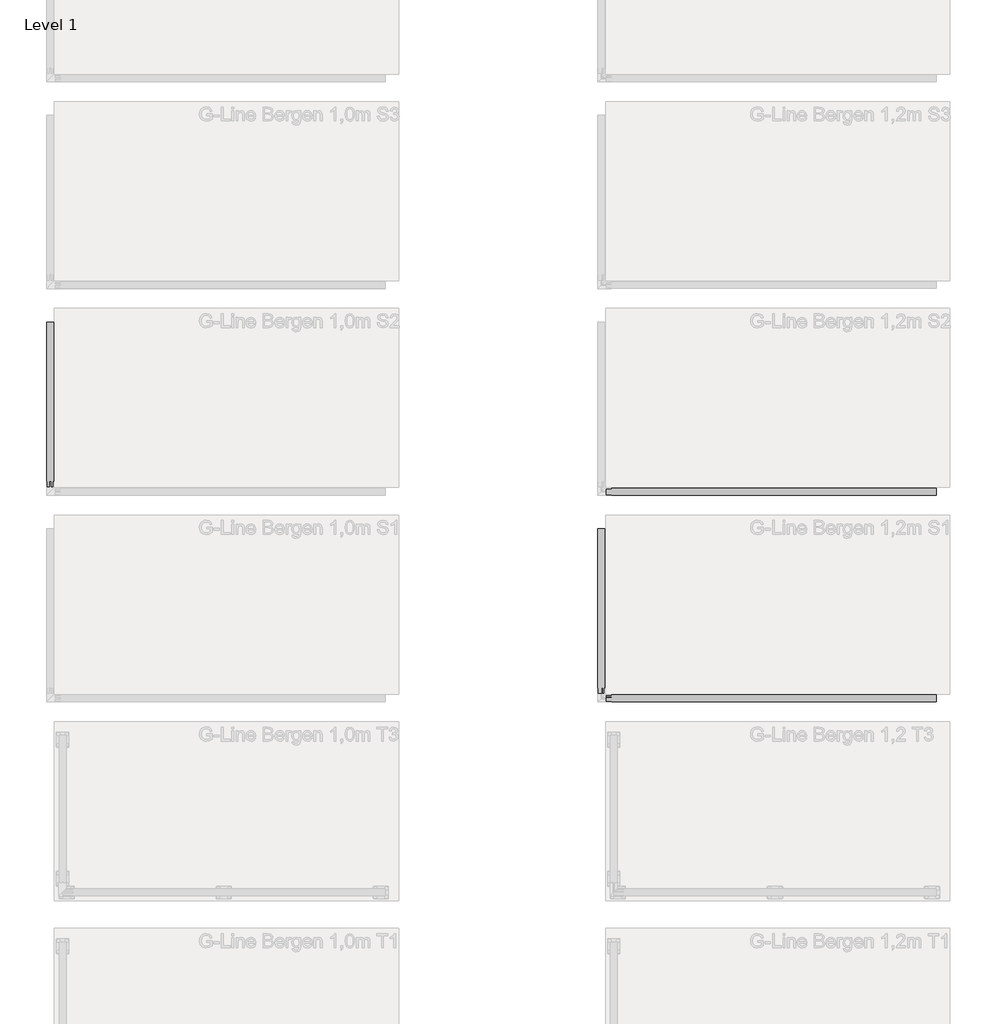
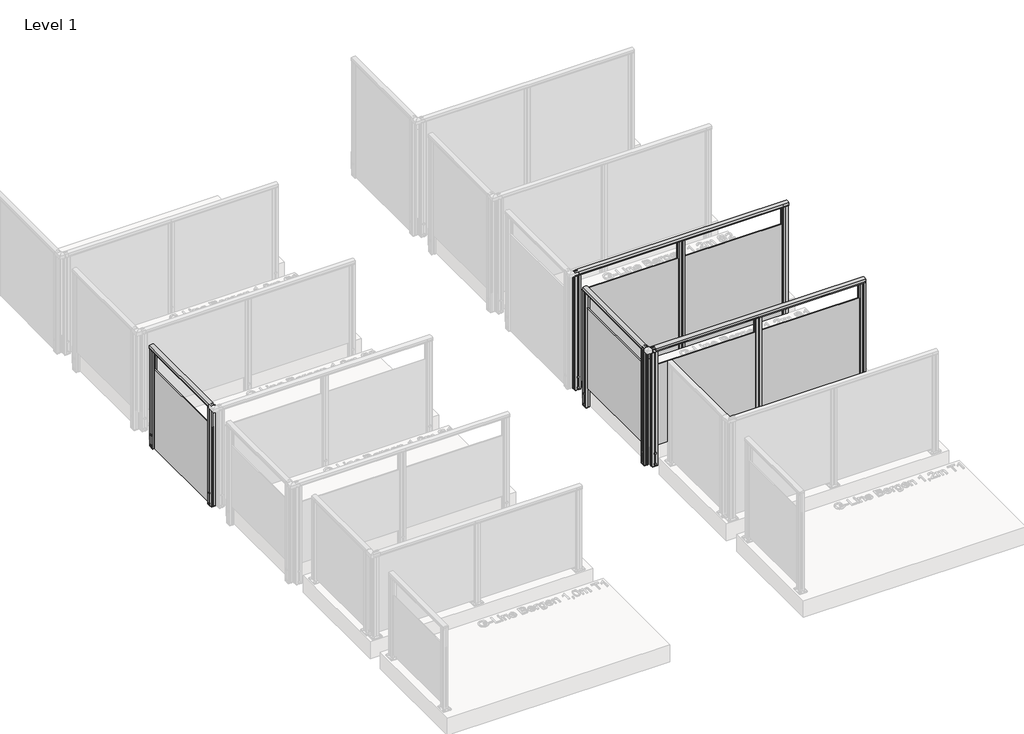
# One storey, part 6 of 14: 4 railings.
"""IFC4 building model written with IfcOpenShell, lengths in millimetres."""

import ifcopenshell
import ifcopenshell.guid

model = None  # the IFC model being written
_history = None  # IfcOwnerHistory: only IFC2X3 demands one
_inside = {}  # id of a spatial element -> (the spatial element, [elements in it])
_under = {}  # id of a project, library or spatial element -> (it, [spatial elements below it])
_declared = {}  # id of a project -> (the project, [libraries it declares])
_typed = {}  # id of a type object -> (the type object, [elements of that type])
_made_of = {}  # id of a material, layer set ... -> (it, [elements and type objects made of it])


def new_model(schema):
    """Start an empty IFC model of exactly this schema.

    Asked for "IFC4X3", IfcOpenShell would pick the latest addendum, in which some entities
    have other attributes; the version numbers below select the first issue.
    IFC2X3 requires an IfcOwnerHistory on every rooted entity: one is made here for all.
    """
    global model, _history
    if schema == "IFC4X3":
        model = ifcopenshell.file(schema_version=(4, 3, 0, 0))
    else:
        model = ifcopenshell.file(schema=schema)
    _inside.clear()
    _under.clear()
    _declared.clear()
    _typed.clear()
    _made_of.clear()
    _history = None
    if model.schema == "IFC2X3":
        org = make("IfcOrganization", Name="unknown")
        user = make(
            "IfcPersonAndOrganization",
            ThePerson=make("IfcPerson", FamilyName="unknown"),
            TheOrganization=org,
        )
        app = make(
            "IfcApplication",
            ApplicationDeveloper=org,
            Version="unknown",
            ApplicationFullName="unknown",
            ApplicationIdentifier="unknown",
        )
        _history = make(
            "IfcOwnerHistory",
            OwningUser=user,
            OwningApplication=app,
            ChangeAction="ADDED",
            CreationDate=0,
        )
    return model


def make(cls, **values):
    """One entity of the class cls with the attributes given. An attribute that is None is left unset."""
    return model.create_entity(
        cls, **{name: value for name, value in values.items() if value is not None}
    )


def rooted(cls, **values):
    """An entity with a GlobalId (a new one), such as an element, a storey or a relation."""
    return make(cls, GlobalId=ifcopenshell.guid.new(), OwnerHistory=_history, **values)


def si_unit(unit_type, name, prefix=None):
    """IfcSIUnit, for example si_unit("LENGTHUNIT", "METRE", prefix="MILLI")."""
    return make("IfcSIUnit", UnitType=unit_type, Prefix=prefix, Name=name)


def assignment(units):
    """IfcUnitAssignment: the units of a project."""
    return None if units is None else make("IfcUnitAssignment", Units=units)


def point(xyz):
    """IfcCartesianPoint."""
    return None if xyz is None else make("IfcCartesianPoint", Coordinates=xyz)


def direction(xyz):
    """IfcDirection."""
    return None if xyz is None else make("IfcDirection", DirectionRatios=xyz)


def frame(location, z_axis=None, x_axis=None):
    """IfcAxis2Placement3D, a coordinate frame: its origin and axes. An axis left out is left unset."""
    return make(
        "IfcAxis2Placement3D",
        Location=point(location),
        Axis=direction(z_axis),
        RefDirection=direction(x_axis),
    )


def frame_2d(location, x_axis=None):
    """IfcAxis2Placement2D, a coordinate frame in the plane: its origin and x axis."""
    return make(
        "IfcAxis2Placement2D", Location=point(location), RefDirection=direction(x_axis)
    )


def origin():
    """The frame at (0, 0, 0) with its axes left unset."""
    return frame((0.0, 0.0, 0.0))


def place(relative_to, where):
    """IfcLocalPlacement: puts the frame where relative to a parent placement (None: the world)."""
    return make(
        "IfcLocalPlacement", PlacementRelTo=relative_to, RelativePlacement=where
    )


def context(
    kind, dimensions, precision=None, world=None, true_north=None, identifier=None
):
    """IfcGeometricRepresentationContext, for example the 3D "Model" context."""
    return make(
        "IfcGeometricRepresentationContext",
        ContextIdentifier=identifier,
        ContextType=kind,
        CoordinateSpaceDimension=dimensions,
        Precision=precision,
        WorldCoordinateSystem=world,
        TrueNorth=true_north,
    )


def project(units=None, contexts=None):
    """IfcProject with its units and contexts."""
    return rooted(
        "IfcProject",
        Name="project",
        RepresentationContexts=contexts,
        UnitsInContext=assignment(units),
    )


def spatial(cls, under=None, at=None, **own):
    """A site, building, storey or space (cls), placed at a placement, below another one or the project."""
    s = rooted(cls, ObjectPlacement=at, **own)
    if under is not None:
        _under.setdefault(under.id(), (under, []))[1].append(s)
    return s


def polyline(points):
    """IfcPolyline through the points."""
    return make("IfcPolyline", Points=[point(p) for p in points])


def circle_curve(where, radius):
    """IfcCircle in the frame where."""
    return make("IfcCircle", Position=where, Radius=radius)


def trimmed(basis, trim1, trim2, sense, master):
    """IfcTrimmedCurve: the piece of a basis curve between two trims."""
    return make(
        "IfcTrimmedCurve",
        BasisCurve=basis,
        Trim1=trim1,
        Trim2=trim2,
        SenseAgreement=sense,
        MasterRepresentation=master,
    )


def segment(curve, same_sense, transition):
    """IfcCompositeCurveSegment."""
    return make(
        "IfcCompositeCurveSegment",
        Transition=transition,
        SameSense=same_sense,
        ParentCurve=curve,
    )


def composite_curve(segments, self_intersect=None):
    """IfcCompositeCurve: segments joined end to end."""
    return make("IfcCompositeCurve", Segments=segments, SelfIntersect=self_intersect)


def outline(outer, holes=None, kind="AREA"):
    """IfcArbitraryClosedProfileDef: a profile drawn as a closed curve; with holes, ...WithVoids."""
    if holes is None:
        return make("IfcArbitraryClosedProfileDef", ProfileType=kind, OuterCurve=outer)
    return make(
        "IfcArbitraryProfileDefWithVoids",
        ProfileType=kind,
        OuterCurve=outer,
        InnerCurves=holes,
    )


def extrude(swept, where, along, depth):
    """IfcExtrudedAreaSolid: the profile swept, set in the frame where, extruded along a direction by depth."""
    return make(
        "IfcExtrudedAreaSolid",
        SweptArea=swept,
        Position=where,
        ExtrudedDirection=direction(along),
        Depth=depth,
    )


def shape(context_of_items, identifier, shape_type, items):
    """IfcShapeRepresentation: the items that make up one representation, for example the "Body"."""
    return make(
        "IfcShapeRepresentation",
        ContextOfItems=context_of_items,
        RepresentationIdentifier=identifier,
        RepresentationType=shape_type,
        Items=items,
    )


def made_of(thing, what):
    """Note that an element or type object is made of a material, layer set ...; save() writes the relation."""
    if what is not None:
        _made_of.setdefault(what.id(), (what, []))[1].append(thing)
    return thing


def element(
    cls,
    number,
    at=None,
    inside=None,
    cuts=None,
    type_object=None,
    material=None,
    context=None,
    identifier="Body",
    shape_type=None,
    held_by="IfcProductDefinitionShape",
    body=None,
    shapes=None,
    **own,
):
    """One element of the class cls, such as IfcWall. Its Tag is "e" and its number.

    at: its placement. inside: the storey or other place that contains it. cuts: it is an
    opening in that element (IfcRelVoidsElement). A single representation is given by context,
    identifier, shape_type and body (its items); several are given by shapes. held_by: the class
    of the entity that holds the representations. save() writes the other relations.
    """
    e = rooted(cls, Tag="e%d" % number, ObjectPlacement=at, **own)
    if body is not None:
        shapes = [shape(context, identifier, shape_type, body)]
    if shapes is not None:
        e.Representation = make(held_by, Representations=shapes)
    if inside is not None:
        _inside.setdefault(inside.id(), (inside, []))[1].append(e)
    if cuts is not None:
        rooted(
            "IfcRelVoidsElement", RelatingBuildingElement=cuts, RelatedOpeningElement=e
        )
    if type_object is not None:
        _typed.setdefault(type_object.id(), (type_object, []))[1].append(e)
    return made_of(e, material)


def aggregate(whole, parts):
    """IfcRelAggregates: a whole, such as a stair, and the parts it consists of."""
    return rooted("IfcRelAggregates", RelatingObject=whole, RelatedObjects=parts)


def save(model, path):
    """Write the relations noted so far, then the file.

    IfcRelAggregates (storeys below a building ...), IfcRelContainedInSpatialStructure (elements
    in a storey), IfcRelDefinesByType, IfcRelAssociatesMaterial and IfcRelDeclares: one each for
    every whole, place, type object, material and project.
    """
    for whole, parts in _under.values():
        aggregate(whole, parts)
    for where, things in _inside.values():
        rooted(
            "IfcRelContainedInSpatialStructure",
            RelatedElements=things,
            RelatingStructure=where,
        )
    for kind, things in _typed.values():
        rooted("IfcRelDefinesByType", RelatedObjects=things, RelatingType=kind)
    for what, things in _made_of.values():
        rooted("IfcRelAssociatesMaterial", RelatedObjects=things, RelatingMaterial=what)
    for by, libraries in _declared.values():
        rooted("IfcRelDeclares", RelatingContext=by, RelatedDefinitions=libraries)
    model.write(path)


model = new_model("IFC4")

# Units and contexts
model_context = context("Model", 3, world=origin())
ifc_project = project(units=[si_unit("LENGTHUNIT", "METRE", prefix="MILLI")], contexts=[model_context])

# Site, building, storey
site = spatial("IfcSite", under=ifc_project)
building = spatial("IfcBuilding", under=site)
storey = spatial("IfcBuildingStorey", under=building, Name="Level 1", Elevation=0.0)

# Railings
placement = place(None, origin())
element("IfcRailing", 1, at=placement, inside=storey, context=model_context, shape_type="SweptSolid", body=[
    extrude(outline(composite_curve([segment(trimmed(circle_curve(frame_2d((942.6785502, -1888.3699367)), 57.3235687), [point((994.1390059, -1863.1149764))], [point((994.1342258, -1913.6346347))], False, "CARTESIAN"), True, "CONTINUOUS"), segment(polyline([(994.1342258, -1913.6346347), (967.0235023, -1913.6346347), (966.4415706, -1913.052703), (965.8194895, -1913.674784), (957.2498847, -1913.674784), (957.2498847, -1911.8698311), (980.4998829, -1911.8698311), (980.4998829, -1864.874785), (957.2498847, -1864.874785), (957.2498847, -1863.1149764), (965.9694895, -1863.1149764), (966.5842725, -1863.7297594), (967.1990555, -1863.1149764), (994.1390059, -1863.1149764)]), True, "CONTINUOUS")], self_intersect=False)), frame((0.0, -14.2844542, 0.0), z_axis=(0.0, 1.0, 0.0), x_axis=(0.0, 0.0, 1.0)), (0.0, 0.0, 1.0), 1195.0),
    extrude(outline(polyline([(-1888.5501775, 1180.7155458), (-1886.6864946, 1180.7155458), (-1886.6864946, -14.2844542), (-1888.5501775, -14.2844542), (-1888.5501775, 1180.7155458)])), frame((0.0, 0.0, -200.0), z_axis=(0.0, 0.0, 1.0), x_axis=(1.0, 0.0, 0.0)), (0.0, 0.0, 1.0), 1.1703418),
    extrude(outline(polyline([(-1892.0345604, 1180.7155458), (-1883.2745604, 1180.7155458), (-1883.2745604, -14.2844542), (-1892.0345604, -14.2844542), (-1892.0345604, 1180.7155458)])), frame((0.0, 0.0, -200.0), z_axis=(0.0, 0.0, 1.0), x_axis=(1.0, 0.0, 0.0)), (0.0, 0.0, 1.0), 945.0),
    extrude(outline(polyline([(-1883.3086985, -14.2828611), (-1883.3061212, 3.2171387), (-1892.0661212, 3.2184288), (-1892.0686984, -14.281571), (-1910.1235058, -14.2789121), (-1910.1192177, 14.8380749), (-1909.2407956, 15.7162383), (-1910.159128, 16.7541062), (-1910.154862, 45.7210931), (-1892.0598622, 45.7184283), (-1892.0624394, 28.2184285), (-1883.3024395, 28.2171384), (-1883.2998623, 45.7171382), (-1865.1949112, 45.7144719), (-1865.1991844, 16.6979964), (-1866.187574, 15.7098979), (-1865.1594327, 14.6814537), (-1865.1636986, -14.2855333), (-1883.3086985, -14.2828611)])), frame((0.0, 0.0, -202.0233958), z_axis=(0.0, 0.0, 1.0), x_axis=(1.0, 0.0, 0.0)), (0.0, 0.0, 1.0), 2.0),
    extrude(outline(composite_curve([segment(trimmed(circle_curve(frame_2d((0.0, 12.0)), 12.0), [point((0.0, 23.9999999))], [point((0.0, 0.0))], False, "CARTESIAN"), True, "CONTINUOUS"), segment(trimmed(circle_curve(frame_2d((0.0, 12.0)), 12.0), [point((0.0, 0.0))], [point((0.0, 23.9999999))], False, "CARTESIAN"), True, "CONTINUOUS")], self_intersect=False)), frame((-1910.1140255, 27.7245834, -175.0), z_axis=(-0.9999999188284006, 0.0004029183446997833, 0.0), x_axis=(0.0, 0.0, -1.0)), (0.0, 0.0, 1.0), 3.0757477),
    extrude(outline(composite_curve([segment(trimmed(circle_curve(frame_2d((0.0, 12.0)), 12.0), [point((0.0, 23.9999999))], [point((0.0, 0.0))], False, "CARTESIAN"), True, "CONTINUOUS"), segment(trimmed(circle_curve(frame_2d((0.0, 12.0)), 12.0), [point((0.0, 0.0))], [point((0.0, 23.9999999))], False, "CARTESIAN"), True, "CONTINUOUS")], self_intersect=False)), frame((-1910.1140255, 27.7245834, -50.0), z_axis=(-0.9999999188284006, 0.0004029183446997833, 0.0), x_axis=(0.0, 0.0, -1.0)), (0.0, 0.0, 1.0), 3.0757477),
    extrude(outline(polyline([(-1883.3086985, -14.2828611), (-1883.3061212, 3.2171387), (-1892.0661212, 3.2184288), (-1892.0686984, -14.281571), (-1910.1235058, -14.2789121), (-1910.1192177, 14.8380749), (-1909.2407956, 15.7162383), (-1910.159128, 16.7541062), (-1910.154862, 45.7210931), (-1892.0598622, 45.7184283), (-1892.0624394, 28.2184285), (-1883.3024395, 28.2171384), (-1883.2998623, 45.7171382), (-1865.1949112, 45.7144719), (-1865.1991844, 16.6979964), (-1866.187574, 15.7098979), (-1865.1594327, 14.6814537), (-1865.1636986, -14.2855333), (-1883.3086985, -14.2828611)]), holes=[polyline([(-1908.1605761, 24.5147608), (-1908.1605761, 6.9207991), (-1867.1579846, 6.9207991), (-1867.1579846, 24.5147608), (-1908.1605761, 24.5147608)]), polyline([(-1881.3026899, 43.7147606), (-1881.3026899, 26.5168439), (-1867.155157, 26.5168439), (-1867.155157, 43.7147606), (-1881.3026899, 43.7147606)]), polyline([(-1908.1605761, 43.7187229), (-1908.1605761, 26.5207992), (-1894.0601567, 26.5207992), (-1894.0601567, 43.7187229), (-1908.1605761, 43.7187229)]), polyline([(-1881.3084039, 4.9147611), (-1881.3084039, -12.2831556), (-1867.1608711, -12.2831556), (-1867.1608711, 4.9147611), (-1881.3084039, 4.9147611)]), polyline([(-1908.2134036, 4.9187233), (-1908.2134036, -12.2791934), (-1894.0658708, -12.2791934), (-1894.0658708, 4.9187233), (-1908.2134036, 4.9187233)])]), frame((0.0, 0.0, -200.0), z_axis=(0.0, 0.0, 1.0), x_axis=(1.0, 0.0, 0.0)), (0.0, 0.0, 1.0), 1181.0),
    extrude(outline(polyline([(-1883.3086985, 1120.7171389), (-1883.3061212, 1138.2171387), (-1892.0661212, 1138.2184288), (-1892.0686984, 1120.718429), (-1910.1235058, 1120.7210879), (-1910.1192177, 1149.8380749), (-1909.2407956, 1150.7162383), (-1910.159128, 1151.7541062), (-1910.154862, 1180.7210931), (-1892.0598622, 1180.7184283), (-1892.0624394, 1163.2184285), (-1883.3024395, 1163.2171384), (-1883.2998623, 1180.7171382), (-1865.1949112, 1180.7144719), (-1865.1991844, 1151.6979964), (-1866.187574, 1150.7098979), (-1865.1594327, 1149.6814537), (-1865.1636986, 1120.7144667), (-1883.3086985, 1120.7171389)])), frame((0.0, 0.0, -202.0233958), z_axis=(0.0, 0.0, 1.0), x_axis=(1.0, 0.0, 0.0)), (0.0, 0.0, 1.0), 2.0),
    extrude(outline(composite_curve([segment(trimmed(circle_curve(frame_2d((0.0, 12.0)), 12.0), [point((0.0, 23.9999999))], [point((0.0, 0.0))], False, "CARTESIAN"), True, "CONTINUOUS"), segment(trimmed(circle_curve(frame_2d((0.0, 12.0)), 12.0), [point((0.0, 0.0))], [point((0.0, 23.9999999))], False, "CARTESIAN"), True, "CONTINUOUS")], self_intersect=False)), frame((-1910.1140255, 1162.7245834, -175.0), z_axis=(-0.9999999188284006, 0.0004029183446997833, 0.0), x_axis=(0.0, 0.0, -1.0)), (0.0, 0.0, 1.0), 3.0757477),
    extrude(outline(composite_curve([segment(trimmed(circle_curve(frame_2d((0.0, 12.0)), 12.0), [point((0.0, 23.9999999))], [point((0.0, 0.0))], False, "CARTESIAN"), True, "CONTINUOUS"), segment(trimmed(circle_curve(frame_2d((0.0, 12.0)), 12.0), [point((0.0, 0.0))], [point((0.0, 23.9999999))], False, "CARTESIAN"), True, "CONTINUOUS")], self_intersect=False)), frame((-1910.1140255, 1162.7245834, -50.0), z_axis=(-0.9999999188284006, 0.0004029183446997833, 0.0), x_axis=(0.0, 0.0, -1.0)), (0.0, 0.0, 1.0), 3.0757477),
    extrude(outline(polyline([(-1883.3086985, 1120.7171389), (-1883.3061212, 1138.2171387), (-1892.0661212, 1138.2184288), (-1892.0686984, 1120.718429), (-1910.1235058, 1120.7210879), (-1910.1192177, 1149.8380749), (-1909.2407956, 1150.7162383), (-1910.159128, 1151.7541062), (-1910.154862, 1180.7210931), (-1892.0598622, 1180.7184283), (-1892.0624394, 1163.2184285), (-1883.3024395, 1163.2171384), (-1883.2998623, 1180.7171382), (-1865.1949112, 1180.7144719), (-1865.1991844, 1151.6979964), (-1866.187574, 1150.7098979), (-1865.1594327, 1149.6814537), (-1865.1636986, 1120.7144667), (-1883.3086985, 1120.7171389)]), holes=[polyline([(-1908.1605761, 1159.5147608), (-1908.1605761, 1141.9207991), (-1867.1579846, 1141.9207991), (-1867.1579846, 1159.5147608), (-1908.1605761, 1159.5147608)]), polyline([(-1881.3026899, 1178.7147606), (-1881.3026899, 1161.5168439), (-1867.155157, 1161.5168439), (-1867.155157, 1178.7147606), (-1881.3026899, 1178.7147606)]), polyline([(-1908.1605761, 1178.7187229), (-1908.1605761, 1161.5207992), (-1894.0601567, 1161.5207992), (-1894.0601567, 1178.7187229), (-1908.1605761, 1178.7187229)]), polyline([(-1881.3084039, 1139.9147611), (-1881.3084039, 1122.7168444), (-1867.1608711, 1122.7168444), (-1867.1608711, 1139.9147611), (-1881.3084039, 1139.9147611)]), polyline([(-1908.2134036, 1139.9187233), (-1908.2134036, 1122.7208066), (-1894.0658708, 1122.7208066), (-1894.0658708, 1139.9187233), (-1908.2134036, 1139.9187233)])]), frame((0.0, 0.0, -200.0), z_axis=(0.0, 0.0, 1.0), x_axis=(1.0, 0.0, 0.0)), (0.0, 0.0, 1.0), 1181.0),
])
element("IfcRailing", 2, at=placement, inside=storey, context=model_context, shape_type="SweptSolid", body=[
    extrude(outline(composite_curve([segment(trimmed(circle_curve(frame_2d((1142.6785502, 2111.6300633)), 57.3235687), [point((1194.1390059, 2136.8850236))], [point((1194.1342258, 2086.3653653))], False, "CARTESIAN"), True, "CONTINUOUS"), segment(polyline([(1194.1342258, 2086.3653653), (1167.0235023, 2086.3653653), (1166.4415706, 2086.947297), (1165.8194895, 2086.325216), (1157.2498847, 2086.325216), (1157.2498847, 2088.1301689), (1180.4998829, 2088.1301689), (1180.4998829, 2135.125215), (1157.2498847, 2135.125215), (1157.2498847, 2136.8850236), (1165.9694895, 2136.8850236), (1166.5842725, 2136.2702406), (1167.1990555, 2136.8850236), (1194.1390059, 2136.8850236)]), True, "CONTINUOUS")], self_intersect=False)), frame((0.0, -1514.2844542, 0.0), z_axis=(0.0, 1.0, 0.0), x_axis=(0.0, 0.0, 1.0)), (0.0, 0.0, 1.0), 1195.0),
    extrude(outline(polyline([(2107.9654396, -319.2844542), (2116.7254396, -319.2844542), (2116.7254396, -1514.2844542), (2107.9654396, -1514.2844542), (2107.9654396, -319.2844542)])), frame((0.0, 0.0, 28.0), z_axis=(0.0, 0.0, 1.0), x_axis=(1.0, 0.0, 0.0)), (0.0, 0.0, 1.0), 952.0),
    extrude(outline(polyline([(2116.6913015, -1514.2828611), (2116.6938788, -1496.7828613), (2107.9338788, -1496.7815712), (2107.9313016, -1514.281571), (2089.8764942, -1514.2789121), (2089.8807823, -1485.1619251), (2090.7592044, -1484.2837617), (2089.840872, -1483.2458938), (2089.845138, -1454.2789069), (2107.9401378, -1454.2815717), (2107.9375606, -1471.7815715), (2116.6975605, -1471.7828616), (2116.7001377, -1454.2828618), (2134.8050888, -1454.2855281), (2134.8008156, -1483.3020036), (2133.812426, -1484.2901021), (2134.8405673, -1485.3185463), (2134.8363014, -1514.2855333), (2116.6913015, -1514.2828611)]), holes=[polyline([(2091.8394239, -1475.4852392), (2091.8394239, -1493.0792009), (2132.8420154, -1493.0792009), (2132.8420154, -1475.4852392), (2091.8394239, -1475.4852392)]), polyline([(2118.6973101, -1456.2852394), (2118.6973101, -1473.4831561), (2132.844843, -1473.4831561), (2132.844843, -1456.2852394), (2118.6973101, -1456.2852394)]), polyline([(2091.8394239, -1456.2812771), (2091.8394239, -1473.4792008), (2105.9398433, -1473.4792008), (2105.9398433, -1456.2812771), (2091.8394239, -1456.2812771)]), polyline([(2118.6915961, -1495.0852389), (2118.6915961, -1512.2831556), (2132.8391289, -1512.2831556), (2132.8391289, -1495.0852389), (2118.6915961, -1495.0852389)]), polyline([(2091.7865964, -1495.0812767), (2091.7865964, -1512.2791934), (2105.9341292, -1512.2791934), (2105.9341292, -1495.0812767), (2091.7865964, -1495.0812767)])]), frame((0.0, 0.0, -200.0), z_axis=(0.0, 0.0, 1.0), x_axis=(1.0, 0.0, 0.0)), (0.0, 0.0, 1.0), 1381.0),
    extrude(outline(polyline([(2116.6913015, -1514.2828611), (2116.6938788, -1496.7828613), (2107.9338788, -1496.7815712), (2107.9313016, -1514.281571), (2089.8764942, -1514.2789121), (2089.8807823, -1485.1619251), (2090.7592044, -1484.2837617), (2089.840872, -1483.2458938), (2089.845138, -1454.2789069), (2107.9401378, -1454.2815717), (2107.9375606, -1471.7815715), (2116.6975605, -1471.7828616), (2116.7001377, -1454.2828618), (2134.8050888, -1454.2855281), (2134.8008156, -1483.3020036), (2133.812426, -1484.2901021), (2134.8405673, -1485.3185463), (2134.8363014, -1514.2855333), (2116.6913015, -1514.2828611)])), frame((0.0, 0.0, -202.0233958), z_axis=(0.0, 0.0, 1.0), x_axis=(1.0, 0.0, 0.0)), (0.0, 0.0, 1.0), 2.0),
    extrude(outline(composite_curve([segment(trimmed(circle_curve(frame_2d((0.0, 12.0)), 12.0), [point((0.0, 23.9999999))], [point((0.0, 0.0))], False, "CARTESIAN"), True, "CONTINUOUS"), segment(trimmed(circle_curve(frame_2d((0.0, 12.0)), 12.0), [point((0.0, 0.0))], [point((0.0, 23.9999999))], False, "CARTESIAN"), True, "CONTINUOUS")], self_intersect=False)), frame((2089.8859745, -1472.2754166, -175.0), z_axis=(-0.9999999188284006, 0.0004029183446997833, 0.0), x_axis=(0.0, 0.0, -1.0)), (0.0, 0.0, 1.0), 3.0757477),
    extrude(outline(composite_curve([segment(trimmed(circle_curve(frame_2d((0.0, 12.0)), 12.0), [point((0.0, 23.9999999))], [point((0.0, 0.0))], False, "CARTESIAN"), True, "CONTINUOUS"), segment(trimmed(circle_curve(frame_2d((0.0, 12.0)), 12.0), [point((0.0, 0.0))], [point((0.0, 23.9999999))], False, "CARTESIAN"), True, "CONTINUOUS")], self_intersect=False)), frame((2089.8859745, -1472.2754166, -50.0), z_axis=(-0.9999999188284006, 0.0004029183446997833, 0.0), x_axis=(0.0, 0.0, -1.0)), (0.0, 0.0, 1.0), 3.0757477),
    extrude(outline(polyline([(2116.6913015, -379.2828611), (2116.6938788, -361.7828613), (2107.9338788, -361.7815712), (2107.9313016, -379.281571), (2089.8764942, -379.2789121), (2089.8807823, -350.1619251), (2090.7592044, -349.2837617), (2089.840872, -348.2458938), (2089.845138, -319.2789069), (2107.9401378, -319.2815717), (2107.9375606, -336.7815715), (2116.6975605, -336.7828616), (2116.7001377, -319.2828618), (2134.8050888, -319.2855281), (2134.8008156, -348.3020036), (2133.812426, -349.2901021), (2134.8405673, -350.3185463), (2134.8363014, -379.2855333), (2116.6913015, -379.2828611)]), holes=[polyline([(2091.8394239, -340.4852392), (2091.8394239, -358.0792009), (2132.8420154, -358.0792009), (2132.8420154, -340.4852392), (2091.8394239, -340.4852392)]), polyline([(2118.6973101, -321.2852394), (2118.6973101, -338.4831561), (2132.844843, -338.4831561), (2132.844843, -321.2852394), (2118.6973101, -321.2852394)]), polyline([(2091.8394239, -321.2812771), (2091.8394239, -338.4792008), (2105.9398433, -338.4792008), (2105.9398433, -321.2812771), (2091.8394239, -321.2812771)]), polyline([(2118.6915961, -360.0852389), (2118.6915961, -377.2831556), (2132.8391289, -377.2831556), (2132.8391289, -360.0852389), (2118.6915961, -360.0852389)]), polyline([(2091.7865964, -360.0812767), (2091.7865964, -377.2791934), (2105.9341292, -377.2791934), (2105.9341292, -360.0812767), (2091.7865964, -360.0812767)])]), frame((0.0, 0.0, -200.0), z_axis=(0.0, 0.0, 1.0), x_axis=(1.0, 0.0, 0.0)), (0.0, 0.0, 1.0), 1381.0),
    extrude(outline(polyline([(2116.6913015, -379.2828611), (2116.6938788, -361.7828613), (2107.9338788, -361.7815712), (2107.9313016, -379.281571), (2089.8764942, -379.2789121), (2089.8807823, -350.1619251), (2090.7592044, -349.2837617), (2089.840872, -348.2458938), (2089.845138, -319.2789069), (2107.9401378, -319.2815717), (2107.9375606, -336.7815715), (2116.6975605, -336.7828616), (2116.7001377, -319.2828618), (2134.8050888, -319.2855281), (2134.8008156, -348.3020036), (2133.812426, -349.2901021), (2134.8405673, -350.3185463), (2134.8363014, -379.2855333), (2116.6913015, -379.2828611)])), frame((0.0, 0.0, -202.0233958), z_axis=(0.0, 0.0, 1.0), x_axis=(1.0, 0.0, 0.0)), (0.0, 0.0, 1.0), 2.0),
    extrude(outline(composite_curve([segment(trimmed(circle_curve(frame_2d((0.0, 12.0)), 12.0), [point((0.0, 23.9999999))], [point((0.0, 0.0))], False, "CARTESIAN"), True, "CONTINUOUS"), segment(trimmed(circle_curve(frame_2d((0.0, 12.0)), 12.0), [point((0.0, 0.0))], [point((0.0, 23.9999999))], False, "CARTESIAN"), True, "CONTINUOUS")], self_intersect=False)), frame((2089.8859745, -337.2754166, -175.0), z_axis=(-0.9999999188284006, 0.0004029183446997833, 0.0), x_axis=(0.0, 0.0, -1.0)), (0.0, 0.0, 1.0), 3.0757477),
    extrude(outline(composite_curve([segment(trimmed(circle_curve(frame_2d((0.0, 12.0)), 12.0), [point((0.0, 23.9999999))], [point((0.0, 0.0))], False, "CARTESIAN"), True, "CONTINUOUS"), segment(trimmed(circle_curve(frame_2d((0.0, 12.0)), 12.0), [point((0.0, 0.0))], [point((0.0, 23.9999999))], False, "CARTESIAN"), True, "CONTINUOUS")], self_intersect=False)), frame((2089.8859745, -337.2754166, -50.0), z_axis=(-0.9999999188284006, 0.0004029183446997833, 0.0), x_axis=(0.0, 0.0, -1.0)), (0.0, 0.0, 1.0), 3.0757477),
])
element("IfcRailing", 3, at=placement, inside=storey, context=model_context, shape_type="SweptSolid", body=[
    extrude(outline(composite_curve([segment(polyline([(-1524.7448702, 1194.1390059), (-1524.7448702, 1167.1990555), (-1525.3596532, 1166.5842725), (-1524.7448702, 1165.9694895), (-1524.7448702, 1157.2498847), (-1526.5046787, 1157.2498847), (-1526.5046787, 1180.4998829), (-1573.4997249, 1180.4998829), (-1573.4997249, 1157.2498847), (-1575.3046778, 1157.2498847), (-1575.3046778, 1165.8194895), (-1574.6825967, 1166.4415706), (-1575.2645284, 1167.0235023), (-1575.2645284, 1194.1342258)]), True, "CONTINUOUS"), segment(trimmed(circle_curve(frame_2d((-1549.9998305, 1142.6785502)), 57.3235687), [point((-1575.2645284, 1194.1342258))], [point((-1524.7448702, 1194.1390059))], False, "CARTESIAN"), True, "CONTINUOUS")], self_intersect=False)), frame((2147.3454396, 0.0, 0.0), z_axis=(1.0, 0.0, 0.0), x_axis=(0.0, 1.0, 0.0)), (0.0, 0.0, 1.0), 2395.0),
    extrude(outline(polyline([(2147.3454396, -1553.6644542), (2147.3454396, -1544.9044542), (4542.3454396, -1544.9044542), (4542.3454396, -1553.6644542), (2147.3454396, -1553.6644542)])), frame((0.0, 0.0, 28.0), z_axis=(0.0, 0.0, 1.0), x_axis=(1.0, 0.0, 0.0)), (0.0, 0.0, 1.0), 952.0),
    extrude(outline(polyline([(3374.8438465, -1544.9385922), (3357.3438467, -1544.936015), (3357.3425566, -1553.6960149), (3374.8425564, -1553.6985921), (3374.8398975, -1571.7533995), (3345.7229105, -1571.7491115), (3344.8447471, -1570.8706894), (3343.8068792, -1571.7890217), (3314.8398922, -1571.7847558), (3314.8425571, -1553.689756), (3332.3425569, -1553.6923332), (3332.343847, -1544.9323333), (3314.8438472, -1544.9297561), (3314.8465135, -1526.824805), (3343.862989, -1526.8290782), (3344.8510875, -1527.8174678), (3345.8795317, -1526.7893265), (3374.8465187, -1526.7935924), (3374.8438465, -1544.9385922)]), holes=[polyline([(3336.0462246, -1569.7904698), (3353.6401863, -1569.7904698), (3353.6401863, -1528.7878783), (3336.0462246, -1528.7878783), (3336.0462246, -1569.7904698)]), polyline([(3316.8462248, -1542.9325837), (3334.0441415, -1542.9325837), (3334.0441415, -1528.7850508), (3316.8462248, -1528.7850508), (3316.8462248, -1542.9325837)]), polyline([(3316.8422625, -1569.7904698), (3334.0401862, -1569.7904698), (3334.0401862, -1555.6900505), (3316.8422625, -1555.6900505), (3316.8422625, -1569.7904698)]), polyline([(3355.6462243, -1542.9382977), (3372.844141, -1542.9382977), (3372.844141, -1528.7907648), (3355.6462243, -1528.7907648), (3355.6462243, -1542.9382977)]), polyline([(3355.6422621, -1569.8432974), (3372.8401788, -1569.8432974), (3372.8401788, -1555.6957645), (3355.6422621, -1555.6957645), (3355.6422621, -1569.8432974)])]), frame((0.0, 0.0, -200.0), z_axis=(0.0, 0.0, 1.0), x_axis=(1.0, 0.0, 0.0)), (0.0, 0.0, 1.0), 1381.0),
    extrude(outline(polyline([(3374.8438465, -1544.9385922), (3357.3438467, -1544.936015), (3357.3425566, -1553.6960149), (3374.8425564, -1553.6985921), (3374.8398975, -1571.7533995), (3345.7229105, -1571.7491115), (3344.8447471, -1570.8706894), (3343.8068792, -1571.7890217), (3314.8398922, -1571.7847558), (3314.8425571, -1553.689756), (3332.3425569, -1553.6923332), (3332.343847, -1544.9323333), (3314.8438472, -1544.9297561), (3314.8465135, -1526.824805), (3343.862989, -1526.8290782), (3344.8510875, -1527.8174678), (3345.8795317, -1526.7893265), (3374.8465187, -1526.7935924), (3374.8438465, -1544.9385922)])), frame((0.0, 0.0, -202.0233958), z_axis=(0.0, 0.0, 1.0), x_axis=(1.0, 0.0, 0.0)), (0.0, 0.0, 1.0), 2.0),
    extrude(outline(composite_curve([segment(trimmed(circle_curve(frame_2d((0.0, 12.0)), 12.0), [point((0.0, 24.0))], [point((0.0, 0.0))], False, "CARTESIAN"), True, "CONTINUOUS"), segment(trimmed(circle_curve(frame_2d((0.0, 12.0)), 12.0), [point((0.0, 0.0))], [point((0.0, 24.0))], False, "CARTESIAN"), True, "CONTINUOUS")], self_intersect=False)), frame((3332.8351627, -1574.8196667, -175.0), z_axis=(0.00040291834662179495, 0.9999999188283998, 0.0), x_axis=(0.0, 0.0, 1.0)), (0.0, 0.0, 1.0), 3.0757477),
    extrude(outline(composite_curve([segment(trimmed(circle_curve(frame_2d((0.0, 12.0)), 12.0), [point((0.0, 24.0))], [point((0.0, 0.0))], False, "CARTESIAN"), True, "CONTINUOUS"), segment(trimmed(circle_curve(frame_2d((0.0, 12.0)), 12.0), [point((0.0, 0.0))], [point((0.0, 24.0))], False, "CARTESIAN"), True, "CONTINUOUS")], self_intersect=False)), frame((3332.8351627, -1574.8196667, -50.0), z_axis=(0.00040291834662179495, 0.9999999188283998, 0.0), x_axis=(0.0, 0.0, 1.0)), (0.0, 0.0, 1.0), 3.0757477),
    extrude(outline(polyline([(4542.3438465, -1544.9385922), (4524.8438467, -1544.936015), (4524.8425566, -1553.6960149), (4542.3425564, -1553.6985921), (4542.3398975, -1571.7533995), (4513.2229105, -1571.7491115), (4512.3447471, -1570.8706894), (4511.3068792, -1571.7890217), (4482.3398922, -1571.7847558), (4482.3425571, -1553.689756), (4499.8425569, -1553.6923332), (4499.843847, -1544.9323333), (4482.3438472, -1544.9297561), (4482.3465135, -1526.824805), (4511.362989, -1526.8290782), (4512.3510875, -1527.8174678), (4513.3795317, -1526.7893265), (4542.3465187, -1526.7935924), (4542.3438465, -1544.9385922)]), holes=[polyline([(4503.5462246, -1569.7904698), (4521.1401863, -1569.7904698), (4521.1401863, -1528.7878783), (4503.5462246, -1528.7878783), (4503.5462246, -1569.7904698)]), polyline([(4484.3462248, -1542.9325837), (4501.5441415, -1542.9325837), (4501.5441415, -1528.7850508), (4484.3462248, -1528.7850508), (4484.3462248, -1542.9325837)]), polyline([(4484.3422625, -1569.7904698), (4501.5401862, -1569.7904698), (4501.5401862, -1555.6900505), (4484.3422625, -1555.6900505), (4484.3422625, -1569.7904698)]), polyline([(4523.1462243, -1542.9382977), (4540.344141, -1542.9382977), (4540.344141, -1528.7907648), (4523.1462243, -1528.7907648), (4523.1462243, -1542.9382977)]), polyline([(4523.1422621, -1569.8432974), (4540.3401788, -1569.8432974), (4540.3401788, -1555.6957645), (4523.1422621, -1555.6957645), (4523.1422621, -1569.8432974)])]), frame((0.0, 0.0, -200.0), z_axis=(0.0, 0.0, 1.0), x_axis=(1.0, 0.0, 0.0)), (0.0, 0.0, 1.0), 1381.0),
    extrude(outline(polyline([(4542.3438465, -1544.9385922), (4524.8438467, -1544.936015), (4524.8425566, -1553.6960149), (4542.3425564, -1553.6985921), (4542.3398975, -1571.7533995), (4513.2229105, -1571.7491115), (4512.3447471, -1570.8706894), (4511.3068792, -1571.7890217), (4482.3398922, -1571.7847558), (4482.3425571, -1553.689756), (4499.8425569, -1553.6923332), (4499.843847, -1544.9323333), (4482.3438472, -1544.9297561), (4482.3465135, -1526.824805), (4511.362989, -1526.8290782), (4512.3510875, -1527.8174678), (4513.3795317, -1526.7893265), (4542.3465187, -1526.7935924), (4542.3438465, -1544.9385922)])), frame((0.0, 0.0, -202.0233958), z_axis=(0.0, 0.0, 1.0), x_axis=(1.0, 0.0, 0.0)), (0.0, 0.0, 1.0), 2.0),
    extrude(outline(composite_curve([segment(trimmed(circle_curve(frame_2d((0.0, 12.0)), 12.0), [point((0.0, 24.0))], [point((0.0, 0.0))], False, "CARTESIAN"), True, "CONTINUOUS"), segment(trimmed(circle_curve(frame_2d((0.0, 12.0)), 12.0), [point((0.0, 0.0))], [point((0.0, 24.0))], False, "CARTESIAN"), True, "CONTINUOUS")], self_intersect=False)), frame((4500.3351627, -1574.8196667, -175.0), z_axis=(0.00040291834662179495, 0.9999999188283998, 0.0), x_axis=(0.0, 0.0, 1.0)), (0.0, 0.0, 1.0), 3.0757477),
    extrude(outline(composite_curve([segment(trimmed(circle_curve(frame_2d((0.0, 12.0)), 12.0), [point((0.0, 24.0))], [point((0.0, 0.0))], False, "CARTESIAN"), True, "CONTINUOUS"), segment(trimmed(circle_curve(frame_2d((0.0, 12.0)), 12.0), [point((0.0, 0.0))], [point((0.0, 24.0))], False, "CARTESIAN"), True, "CONTINUOUS")], self_intersect=False)), frame((4500.3351627, -1574.8196667, -50.0), z_axis=(0.00040291834662179495, 0.9999999188283998, 0.0), x_axis=(0.0, 0.0, 1.0)), (0.0, 0.0, 1.0), 3.0757477),
    extrude(outline(polyline([(2207.3438465, -1544.9385922), (2189.8438467, -1544.936015), (2189.8425566, -1553.6960149), (2207.3425564, -1553.6985921), (2207.3398975, -1571.7533995), (2178.2229105, -1571.7491115), (2177.3447471, -1570.8706894), (2176.3068792, -1571.7890217), (2147.3398922, -1571.7847558), (2147.3425571, -1553.689756), (2164.8425569, -1553.6923332), (2164.843847, -1544.9323333), (2147.3438472, -1544.9297561), (2147.3465135, -1526.824805), (2176.362989, -1526.8290782), (2177.3510875, -1527.8174678), (2178.3795317, -1526.7893265), (2207.3465187, -1526.7935924), (2207.3438465, -1544.9385922)]), holes=[polyline([(2168.5462246, -1569.7904698), (2186.1401863, -1569.7904698), (2186.1401863, -1528.7878783), (2168.5462246, -1528.7878783), (2168.5462246, -1569.7904698)]), polyline([(2149.3462248, -1542.9325837), (2166.5441415, -1542.9325837), (2166.5441415, -1528.7850508), (2149.3462248, -1528.7850508), (2149.3462248, -1542.9325837)]), polyline([(2149.3422625, -1569.7904698), (2166.5401862, -1569.7904698), (2166.5401862, -1555.6900505), (2149.3422625, -1555.6900505), (2149.3422625, -1569.7904698)]), polyline([(2188.1462243, -1542.9382977), (2205.344141, -1542.9382977), (2205.344141, -1528.7907648), (2188.1462243, -1528.7907648), (2188.1462243, -1542.9382977)]), polyline([(2188.1422621, -1569.8432974), (2205.3401788, -1569.8432974), (2205.3401788, -1555.6957645), (2188.1422621, -1555.6957645), (2188.1422621, -1569.8432974)])]), frame((0.0, 0.0, -200.0), z_axis=(0.0, 0.0, 1.0), x_axis=(1.0, 0.0, 0.0)), (0.0, 0.0, 1.0), 1381.0),
    extrude(outline(polyline([(2207.3438465, -1544.9385922), (2189.8438467, -1544.936015), (2189.8425566, -1553.6960149), (2207.3425564, -1553.6985921), (2207.3398975, -1571.7533995), (2178.2229105, -1571.7491115), (2177.3447471, -1570.8706894), (2176.3068792, -1571.7890217), (2147.3398922, -1571.7847558), (2147.3425571, -1553.689756), (2164.8425569, -1553.6923332), (2164.843847, -1544.9323333), (2147.3438472, -1544.9297561), (2147.3465135, -1526.824805), (2176.362989, -1526.8290782), (2177.3510875, -1527.8174678), (2178.3795317, -1526.7893265), (2207.3465187, -1526.7935924), (2207.3438465, -1544.9385922)])), frame((0.0, 0.0, -202.0233958), z_axis=(0.0, 0.0, 1.0), x_axis=(1.0, 0.0, 0.0)), (0.0, 0.0, 1.0), 2.0),
    extrude(outline(composite_curve([segment(trimmed(circle_curve(frame_2d((0.0, 12.0)), 12.0), [point((0.0, 24.0))], [point((0.0, 0.0))], False, "CARTESIAN"), True, "CONTINUOUS"), segment(trimmed(circle_curve(frame_2d((0.0, 12.0)), 12.0), [point((0.0, 0.0))], [point((0.0, 24.0))], False, "CARTESIAN"), True, "CONTINUOUS")], self_intersect=False)), frame((2165.3351627, -1574.8196667, -175.0), z_axis=(0.00040291834662179495, 0.9999999188283998, 0.0), x_axis=(0.0, 0.0, 1.0)), (0.0, 0.0, 1.0), 3.0757477),
    extrude(outline(composite_curve([segment(trimmed(circle_curve(frame_2d((0.0, 12.0)), 12.0), [point((0.0, 24.0))], [point((0.0, 0.0))], False, "CARTESIAN"), True, "CONTINUOUS"), segment(trimmed(circle_curve(frame_2d((0.0, 12.0)), 12.0), [point((0.0, 0.0))], [point((0.0, 24.0))], False, "CARTESIAN"), True, "CONTINUOUS")], self_intersect=False)), frame((2165.3351627, -1574.8196667, -50.0), z_axis=(0.00040291834662179495, 0.9999999188283998, 0.0), x_axis=(0.0, 0.0, 1.0)), (0.0, 0.0, 1.0), 3.0757477),
])
element("IfcRailing", 4, at=placement, inside=storey, context=model_context, shape_type="SweptSolid", body=[
    extrude(outline(composite_curve([segment(polyline([(-24.7448702, 1194.1390059), (-24.7448702, 1167.1990555), (-25.3596532, 1166.5842725), (-24.7448702, 1165.9694895), (-24.7448702, 1157.2498847), (-26.5046787, 1157.2498847), (-26.5046787, 1180.4998829), (-73.4997249, 1180.4998829), (-73.4997249, 1157.2498847), (-75.3046778, 1157.2498847), (-75.3046778, 1165.8194895), (-74.6825967, 1166.4415706), (-75.2645284, 1167.0235023), (-75.2645284, 1194.1342258)]), True, "CONTINUOUS"), segment(trimmed(circle_curve(frame_2d((-49.9998305, 1142.6785502)), 57.3235687), [point((-75.2645284, 1194.1342258))], [point((-24.7448702, 1194.1390059))], False, "CARTESIAN"), True, "CONTINUOUS")], self_intersect=False)), frame((2147.3454396, 0.0, 0.0), z_axis=(1.0, 0.0, 0.0), x_axis=(0.0, 1.0, 0.0)), (0.0, 0.0, 1.0), 2395.0),
    extrude(outline(polyline([(2147.3454396, -50.1800713), (2147.3454396, -48.3163884), (4542.3454396, -48.3163884), (4542.3454396, -50.1800713), (2147.3454396, -50.1800713)])), frame((0.0, 0.0, -200.0), z_axis=(0.0, 0.0, 1.0), x_axis=(1.0, 0.0, 0.0)), (0.0, 0.0, 1.0), 1.1703418),
    extrude(outline(polyline([(2147.3454396, -53.6644542), (2147.3454396, -44.9044542), (4542.3454396, -44.9044542), (4542.3454396, -53.6644542), (2147.3454396, -53.6644542)])), frame((0.0, 0.0, -200.0), z_axis=(0.0, 0.0, 1.0), x_axis=(1.0, 0.0, 0.0)), (0.0, 0.0, 1.0), 1150.0),
    extrude(outline(polyline([(3374.8438465, -44.9385922), (3357.3438467, -44.936015), (3357.3425566, -53.6960149), (3374.8425564, -53.6985921), (3374.8398975, -71.7533995), (3345.7229105, -71.7491115), (3344.8447471, -70.8706894), (3343.8068792, -71.7890217), (3314.8398922, -71.7847558), (3314.8425571, -53.689756), (3332.3425569, -53.6923332), (3332.343847, -44.9323333), (3314.8438472, -44.9297561), (3314.8465135, -26.824805), (3343.862989, -26.8290782), (3344.8510875, -27.8174678), (3345.8795317, -26.7893265), (3374.8465187, -26.7935924), (3374.8438465, -44.9385922)]), holes=[polyline([(3336.0462246, -69.7904698), (3353.6401863, -69.7904698), (3353.6401863, -28.7878783), (3336.0462246, -28.7878783), (3336.0462246, -69.7904698)]), polyline([(3316.8462248, -42.9325837), (3334.0441415, -42.9325837), (3334.0441415, -28.7850508), (3316.8462248, -28.7850508), (3316.8462248, -42.9325837)]), polyline([(3316.8422625, -69.7904698), (3334.0401862, -69.7904698), (3334.0401862, -55.6900505), (3316.8422625, -55.6900505), (3316.8422625, -69.7904698)]), polyline([(3355.6462243, -42.9382977), (3372.844141, -42.9382977), (3372.844141, -28.7907648), (3355.6462243, -28.7907648), (3355.6462243, -42.9382977)]), polyline([(3355.6422621, -69.8432974), (3372.8401788, -69.8432974), (3372.8401788, -55.6957645), (3355.6422621, -55.6957645), (3355.6422621, -69.8432974)])]), frame((0.0, 0.0, -200.0), z_axis=(0.0, 0.0, 1.0), x_axis=(1.0, 0.0, 0.0)), (0.0, 0.0, 1.0), 1381.0),
    extrude(outline(polyline([(3374.8438465, -44.9385922), (3357.3438467, -44.936015), (3357.3425566, -53.6960149), (3374.8425564, -53.6985921), (3374.8398975, -71.7533995), (3345.7229105, -71.7491115), (3344.8447471, -70.8706894), (3343.8068792, -71.7890217), (3314.8398922, -71.7847558), (3314.8425571, -53.689756), (3332.3425569, -53.6923332), (3332.343847, -44.9323333), (3314.8438472, -44.9297561), (3314.8465135, -26.824805), (3343.862989, -26.8290782), (3344.8510875, -27.8174678), (3345.8795317, -26.7893265), (3374.8465187, -26.7935924), (3374.8438465, -44.9385922)])), frame((0.0, 0.0, -202.0233958), z_axis=(0.0, 0.0, 1.0), x_axis=(1.0, 0.0, 0.0)), (0.0, 0.0, 1.0), 2.0),
    extrude(outline(composite_curve([segment(trimmed(circle_curve(frame_2d((0.0, 12.0)), 12.0), [point((0.0, 24.0))], [point((0.0, 0.0))], False, "CARTESIAN"), True, "CONTINUOUS"), segment(trimmed(circle_curve(frame_2d((0.0, 12.0)), 12.0), [point((0.0, 0.0))], [point((0.0, 24.0))], False, "CARTESIAN"), True, "CONTINUOUS")], self_intersect=False)), frame((3332.8351627, -74.8196667, -175.0), z_axis=(0.00040291834662179495, 0.9999999188283998, 0.0), x_axis=(0.0, 0.0, 1.0)), (0.0, 0.0, 1.0), 3.0757477),
    extrude(outline(composite_curve([segment(trimmed(circle_curve(frame_2d((0.0, 12.0)), 12.0), [point((0.0, 24.0))], [point((0.0, 0.0))], False, "CARTESIAN"), True, "CONTINUOUS"), segment(trimmed(circle_curve(frame_2d((0.0, 12.0)), 12.0), [point((0.0, 0.0))], [point((0.0, 24.0))], False, "CARTESIAN"), True, "CONTINUOUS")], self_intersect=False)), frame((3332.8351627, -74.8196667, -50.0), z_axis=(0.00040291834662179495, 0.9999999188283998, 0.0), x_axis=(0.0, 0.0, 1.0)), (0.0, 0.0, 1.0), 3.0757477),
    extrude(outline(polyline([(4542.3438465, -44.9385922), (4524.8438467, -44.936015), (4524.8425566, -53.6960149), (4542.3425564, -53.6985921), (4542.3398975, -71.7533995), (4513.2229105, -71.7491115), (4512.3447471, -70.8706894), (4511.3068792, -71.7890217), (4482.3398922, -71.7847558), (4482.3425571, -53.689756), (4499.8425569, -53.6923332), (4499.843847, -44.9323333), (4482.3438472, -44.9297561), (4482.3465135, -26.824805), (4511.362989, -26.8290782), (4512.3510875, -27.8174678), (4513.3795317, -26.7893265), (4542.3465187, -26.7935924), (4542.3438465, -44.9385922)]), holes=[polyline([(4503.5462246, -69.7904698), (4521.1401863, -69.7904698), (4521.1401863, -28.7878783), (4503.5462246, -28.7878783), (4503.5462246, -69.7904698)]), polyline([(4484.3462248, -42.9325837), (4501.5441415, -42.9325837), (4501.5441415, -28.7850508), (4484.3462248, -28.7850508), (4484.3462248, -42.9325837)]), polyline([(4484.3422625, -69.7904698), (4501.5401862, -69.7904698), (4501.5401862, -55.6900505), (4484.3422625, -55.6900505), (4484.3422625, -69.7904698)]), polyline([(4523.1462243, -42.9382977), (4540.344141, -42.9382977), (4540.344141, -28.7907648), (4523.1462243, -28.7907648), (4523.1462243, -42.9382977)]), polyline([(4523.1422621, -69.8432974), (4540.3401788, -69.8432974), (4540.3401788, -55.6957645), (4523.1422621, -55.6957645), (4523.1422621, -69.8432974)])]), frame((0.0, 0.0, -200.0), z_axis=(0.0, 0.0, 1.0), x_axis=(1.0, 0.0, 0.0)), (0.0, 0.0, 1.0), 1381.0),
    extrude(outline(polyline([(4542.3438465, -44.9385922), (4524.8438467, -44.936015), (4524.8425566, -53.6960149), (4542.3425564, -53.6985921), (4542.3398975, -71.7533995), (4513.2229105, -71.7491115), (4512.3447471, -70.8706894), (4511.3068792, -71.7890217), (4482.3398922, -71.7847558), (4482.3425571, -53.689756), (4499.8425569, -53.6923332), (4499.843847, -44.9323333), (4482.3438472, -44.9297561), (4482.3465135, -26.824805), (4511.362989, -26.8290782), (4512.3510875, -27.8174678), (4513.3795317, -26.7893265), (4542.3465187, -26.7935924), (4542.3438465, -44.9385922)])), frame((0.0, 0.0, -202.0233958), z_axis=(0.0, 0.0, 1.0), x_axis=(1.0, 0.0, 0.0)), (0.0, 0.0, 1.0), 2.0),
    extrude(outline(composite_curve([segment(trimmed(circle_curve(frame_2d((0.0, 12.0)), 12.0), [point((0.0, 24.0))], [point((0.0, 0.0))], False, "CARTESIAN"), True, "CONTINUOUS"), segment(trimmed(circle_curve(frame_2d((0.0, 12.0)), 12.0), [point((0.0, 0.0))], [point((0.0, 24.0))], False, "CARTESIAN"), True, "CONTINUOUS")], self_intersect=False)), frame((4500.3351627, -74.8196667, -175.0), z_axis=(0.00040291834662179495, 0.9999999188283998, 0.0), x_axis=(0.0, 0.0, 1.0)), (0.0, 0.0, 1.0), 3.0757477),
    extrude(outline(composite_curve([segment(trimmed(circle_curve(frame_2d((0.0, 12.0)), 12.0), [point((0.0, 24.0))], [point((0.0, 0.0))], False, "CARTESIAN"), True, "CONTINUOUS"), segment(trimmed(circle_curve(frame_2d((0.0, 12.0)), 12.0), [point((0.0, 0.0))], [point((0.0, 24.0))], False, "CARTESIAN"), True, "CONTINUOUS")], self_intersect=False)), frame((4500.3351627, -74.8196667, -50.0), z_axis=(0.00040291834662179495, 0.9999999188283998, 0.0), x_axis=(0.0, 0.0, 1.0)), (0.0, 0.0, 1.0), 3.0757477),
    extrude(outline(polyline([(2207.3438465, -44.9385922), (2189.8438467, -44.936015), (2189.8425566, -53.6960149), (2207.3425564, -53.6985921), (2207.3398975, -71.7533995), (2178.2229105, -71.7491115), (2177.3447471, -70.8706894), (2176.3068792, -71.7890217), (2147.3398922, -71.7847558), (2147.3425571, -53.689756), (2164.8425569, -53.6923332), (2164.843847, -44.9323333), (2147.3438472, -44.9297561), (2147.3465135, -26.824805), (2176.362989, -26.8290782), (2177.3510875, -27.8174678), (2178.3795317, -26.7893265), (2207.3465187, -26.7935924), (2207.3438465, -44.9385922)]), holes=[polyline([(2168.5462246, -69.7904698), (2186.1401863, -69.7904698), (2186.1401863, -28.7878783), (2168.5462246, -28.7878783), (2168.5462246, -69.7904698)]), polyline([(2149.3462248, -42.9325837), (2166.5441415, -42.9325837), (2166.5441415, -28.7850508), (2149.3462248, -28.7850508), (2149.3462248, -42.9325837)]), polyline([(2149.3422625, -69.7904698), (2166.5401862, -69.7904698), (2166.5401862, -55.6900505), (2149.3422625, -55.6900505), (2149.3422625, -69.7904698)]), polyline([(2188.1462243, -42.9382977), (2205.344141, -42.9382977), (2205.344141, -28.7907648), (2188.1462243, -28.7907648), (2188.1462243, -42.9382977)]), polyline([(2188.1422621, -69.8432974), (2205.3401788, -69.8432974), (2205.3401788, -55.6957645), (2188.1422621, -55.6957645), (2188.1422621, -69.8432974)])]), frame((0.0, 0.0, -200.0), z_axis=(0.0, 0.0, 1.0), x_axis=(1.0, 0.0, 0.0)), (0.0, 0.0, 1.0), 1381.0),
    extrude(outline(polyline([(2207.3438465, -44.9385922), (2189.8438467, -44.936015), (2189.8425566, -53.6960149), (2207.3425564, -53.6985921), (2207.3398975, -71.7533995), (2178.2229105, -71.7491115), (2177.3447471, -70.8706894), (2176.3068792, -71.7890217), (2147.3398922, -71.7847558), (2147.3425571, -53.689756), (2164.8425569, -53.6923332), (2164.843847, -44.9323333), (2147.3438472, -44.9297561), (2147.3465135, -26.824805), (2176.362989, -26.8290782), (2177.3510875, -27.8174678), (2178.3795317, -26.7893265), (2207.3465187, -26.7935924), (2207.3438465, -44.9385922)])), frame((0.0, 0.0, -202.0233958), z_axis=(0.0, 0.0, 1.0), x_axis=(1.0, 0.0, 0.0)), (0.0, 0.0, 1.0), 2.0),
    extrude(outline(composite_curve([segment(trimmed(circle_curve(frame_2d((0.0, 12.0)), 12.0), [point((0.0, 24.0))], [point((0.0, 0.0))], False, "CARTESIAN"), True, "CONTINUOUS"), segment(trimmed(circle_curve(frame_2d((0.0, 12.0)), 12.0), [point((0.0, 0.0))], [point((0.0, 24.0))], False, "CARTESIAN"), True, "CONTINUOUS")], self_intersect=False)), frame((2165.3351627, -74.8196667, -175.0), z_axis=(0.00040291834662179495, 0.9999999188283998, 0.0), x_axis=(0.0, 0.0, 1.0)), (0.0, 0.0, 1.0), 3.0757477),
    extrude(outline(composite_curve([segment(trimmed(circle_curve(frame_2d((0.0, 12.0)), 12.0), [point((0.0, 24.0))], [point((0.0, 0.0))], False, "CARTESIAN"), True, "CONTINUOUS"), segment(trimmed(circle_curve(frame_2d((0.0, 12.0)), 12.0), [point((0.0, 0.0))], [point((0.0, 24.0))], False, "CARTESIAN"), True, "CONTINUOUS")], self_intersect=False)), frame((2165.3351627, -74.8196667, -50.0), z_axis=(0.00040291834662179495, 0.9999999188283998, 0.0), x_axis=(0.0, 0.0, 1.0)), (0.0, 0.0, 1.0), 3.0757477),
])

save(model, "model.ifc")
